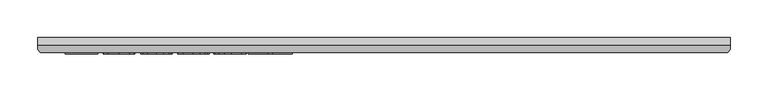
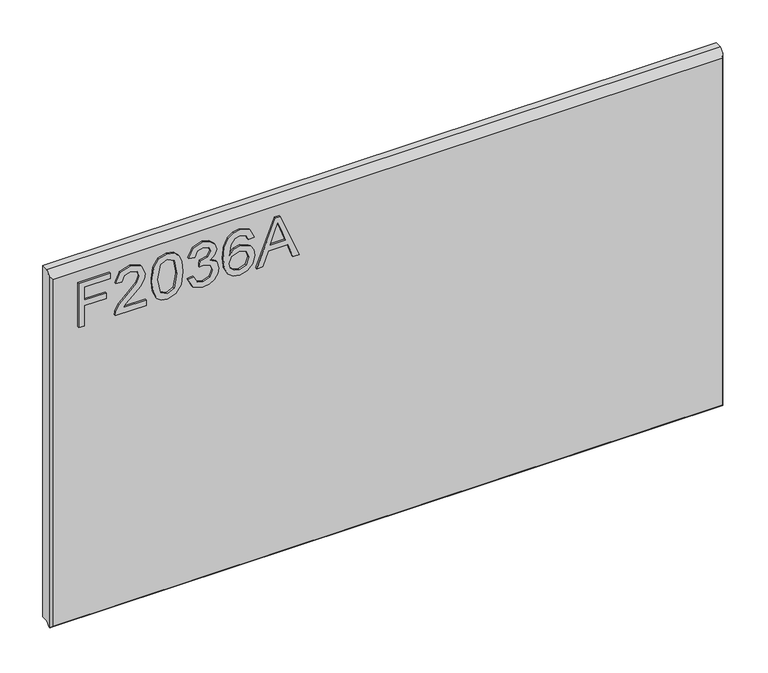
"""IFC4 building model written with IfcOpenShell, lengths in millimetres: furniture geometry."""

from ifc_helpers import new_model, si_unit, frame, origin, place, context, project, spatial, polyline, outline, extrude, faceted_brep, source, transform, mapped, element, save


def furniture_1c67f63a(model_context):
    return source(origin(), model_context, "Body", "SolidModel", [
        extrude(outline(polyline([(2030.5117188, -402.2436441), (2030.5117188, -394.2699245), (2059.4164524, -394.2699245), (2059.4164524, -364.3684759), (2067.390172, -364.3684759), (2067.390172, -394.2699245), (2086.3277561, -394.2699245), (2086.3277561, -359.3849011), (2094.3014757, -359.3849011), (2094.3014757, -402.2436441), (2030.5117188, -402.2436441)])), frame((0.0, -21.9273437, 0.0), z_axis=(0.0, 1.0, 0.0), x_axis=(0.0, 0.0, 1.0)), (0.0, 0.0, 1.0), 2.38125),
        extrude(outline(polyline([(2038.4854384, -310.5458685), (2038.4854384, -341.8645211), (2042.5423797, -338.2670031), (2050.2124127, -329.0941108), (2061.137343, -317.670823), (2068.9553259, -312.9597875), (2076.5163433, -311.5425834), (2089.1933116, -316.7986974), (2094.3014757, -331.071967), (2089.7072427, -345.2985156), (2076.3606066, -351.4111815), (2075.3638916, -343.4374619), (2083.4154796, -340.0813358), (2086.3277561, -331.2432774), (2083.3453981, -322.7634135), (2076.0335595, -319.516303), (2067.0008302, -322.9580844), (2053.7164887, -336.7252096), (2044.4735149, -346.7079328), (2036.0092247, -351.5513445), (2030.5117188, -352.4078965), (2030.5117188, -310.5458685), (2038.4854384, -310.5458685)])), frame((0.0, -21.9273437, 0.0), z_axis=(0.0, 1.0, 0.0), x_axis=(0.0, 0.0, 1.0)), (0.0, 0.0, 1.0), 2.38125),
        extrude(outline(polyline([(2061.8926661, -302.5721488), (2046.3773962, -300.9836344), (2035.5887355, -296.218091), (2031.0334367, -289.9263279), (2029.5150038, -281.6411348), (2033.011293, -269.9686683), (2043.616963, -263.0305978), (2061.8926661, -260.7101208), (2076.8823245, -262.1584723), (2086.3199692, -265.8961533), (2092.2457511, -272.3280795), (2094.3014757, -281.6411348), (2090.828547, -293.2668803), (2080.2462375, -300.2283113), (2061.8926661, -302.5721488)]), holes=[polyline([(2061.9082397, -294.5984292), (2082.0605702, -290.7361588), (2086.3277561, -281.7345769), (2081.4843444, -272.2969322), (2061.9082397, -268.6838405), (2042.1218906, -272.4215215), (2037.4887234, -281.6411348), (2042.1063169, -290.8607482), (2061.9082397, -294.5984292)])]), frame((0.0, -21.9273438, 0.0), z_axis=(0.0, 1.0, 0.0), x_axis=(0.0, 0.0, 1.0)), (0.0, 0.0, 1.0), 2.38125),
        extrude(outline(polyline([(2047.4558729, -253.7331162), (2034.5141522, -247.394632), (2029.5150038, -233.4094754), (2030.9789289, -224.8867838), (2035.3707041, -217.9759673), (2041.864925, -213.397308), (2049.6361869, -211.8710882), (2060.0082519, -214.9235277), (2065.4590368, -223.6136362), (2070.7385113, -217.0726943), (2078.089284, -214.861233), (2086.1330852, -217.1894969), (2092.1133749, -223.9173228), (2094.3014757, -233.5340647), (2089.8629794, -246.211033), (2077.3573215, -252.7364012), (2076.3606066, -244.7626816), (2083.8359687, -240.8536902), (2086.3277561, -233.2537386), (2083.8593292, -225.7472292), (2077.6220739, -222.8349527), (2070.5827746, -226.8529598), (2068.3868869, -237.1783038), (2060.4131673, -238.066003), (2061.2852929, -232.4750551), (2058.0226088, -223.4111785), (2049.7763499, -219.8448078), (2041.0239468, -223.4423258), (2037.4887234, -233.1291493), (2040.0583792, -241.3598345), (2048.4525879, -245.7593966), (2047.4558729, -253.7331162)])), frame((0.0, -21.9273437, 0.0), z_axis=(0.0, 1.0, 0.0), x_axis=(0.0, 0.0, 1.0)), (0.0, 0.0, 1.0), 2.38125),
        extrude(outline(polyline([(2077.3573215, -164.0287705), (2089.8006847, -169.9156182), (2094.3014757, -182.5147181), (2092.4832496, -191.7693722), (2087.0285713, -198.9137938), (2076.1698291, -204.1465473), (2060.2885779, -205.8907985), (2046.1632582, -204.3198044), (2036.6788925, -199.6068222), (2031.305976, -192.4020526), (2029.5150038, -183.3556964), (2032.2170357, -172.905763), (2040.0038713, -165.6640059), (2051.00667, -163.0320555), (2059.1789539, -164.4297925), (2065.6926418, -168.6230035), (2071.3770318, -182.1720973), (2069.2979467, -190.8855663), (2062.936102, -197.9170789), (2077.1470769, -195.6511097), (2084.3966209, -190.2081116), (2086.3277561, -183.0130756), (2083.0105641, -175.0237823), (2076.3606066, -172.0024901), (2077.3573215, -164.0287705)]), holes=[polyline([(2051.1312593, -197.9170789), (2060.0160387, -193.9535796), (2063.4033122, -184.3056903), (2060.0160387, -174.5332117), (2050.7419175, -171.0057751), (2041.0550941, -174.5799327), (2037.4887234, -183.9786432), (2039.2096141, -191.1658924), (2044.2243362, -196.0715988), (2051.1312593, -197.9170789)])]), frame((0.0, -21.9273438, 0.0), z_axis=(0.0, 1.0, 0.0), x_axis=(0.0, 0.0, 1.0)), (0.0, 0.0, 1.0), 2.38125),
        extrude(outline(polyline([(2030.5117188, -160.4935471), (2030.5117188, -152.0681911), (2050.4460178, -144.779713), (2050.4460178, -118.5069298), (2030.5117188, -111.202878), (2030.5117188, -102.7775219), (2094.3014757, -128.2404742), (2094.3014757, -135.0305948), (2030.5117188, -160.4935471)]), holes=[polyline([(2058.4197374, -141.8518628), (2075.4729073, -135.6068207), (2086.3277561, -131.6355345), (2074.1024242, -127.1658909), (2058.4197374, -121.4192063), (2058.4197374, -141.8518628)])]), frame((0.0, -21.9273437, 0.0), z_axis=(0.0, 1.0, 0.0), x_axis=(0.0, 0.0, 1.0)), (0.0, 0.0, 1.0), 2.38125),
        faceted_brep([(475.9377049, 0.0, 2119.4117187), (-438.4622951, 0.0, 2119.4117187), (-438.4622951, -10.0314449, 2119.4117187), (475.9377049, -10.0314449, 2119.4117187), (-438.4622951, 0.0, 1614.884375), (475.9377049, 0.0, 1614.884375), (475.9377049, -10.0314449, 1614.884375), (-438.4622951, -10.0314449, 1614.884375), (-438.4622951, -15.7726273, 1609.1431927), (-438.4622951, -15.7726273, 2113.6705364), (-435.2959807, -19.5460937, 1611.709375), (472.7713906, -19.5460937, 1611.709375), (472.7713906, -19.5460937, 2109.8970699), (-435.2959807, -19.5460937, 2109.8970699), (475.9377049, -15.7726273, 2113.6705364), (475.9377049, -15.7726273, 1609.1431927), (-437.9514364, -16.3814449, 1608.534375), (475.4268462, -16.3814449, 1608.534375)], [[[0, 1, 2, 3]], [[4, 5, 6, 7]], [[1, 4, 7, 8, 9, 2]], [[10, 11, 12, 13]], [[5, 0, 3, 14, 15, 6]], [[1, 0, 5, 4]], [[11, 10, 16, 17]], [[7, 6, 15, 17, 16, 8]], [[3, 2, 9, 13, 12, 14]], [[9, 8, 16, 10, 13]], [[12, 11, 17, 15, 14]]]),
    ])


if __name__ == "__main__":
    model = new_model("IFC4")
    model_context = context("Model", 3, world=origin())
    ifc_project = project(units=[si_unit("LENGTHUNIT", "METRE", prefix="MILLI")], contexts=[model_context])
    site = spatial("IfcSite", under=ifc_project)
    building = spatial("IfcBuilding", under=site)
    placement = place(None, origin())
    furniture_shape = furniture_1c67f63a(model_context)
    element("IfcFurniture", 1, at=placement, inside=building, context=model_context, shape_type="MappedRepresentation", body=[
        mapped(furniture_shape, transform((0.0, 0.0, 0.0), x_axis=(1.0, 0.0, 0.0), y_axis=(0.0, 1.0, 0.0), z_axis=(0.0, 0.0, 1.0))),
    ])
    save(model, "model.ifc")
